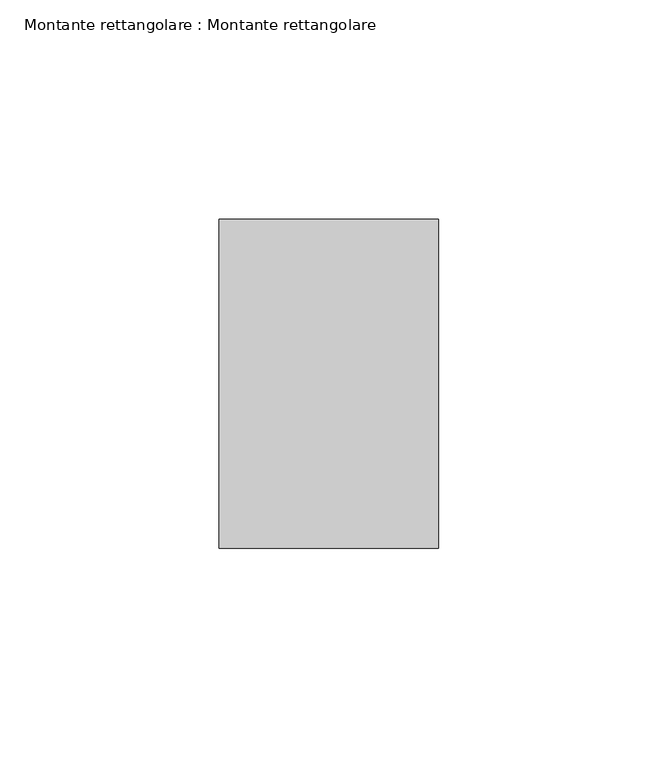
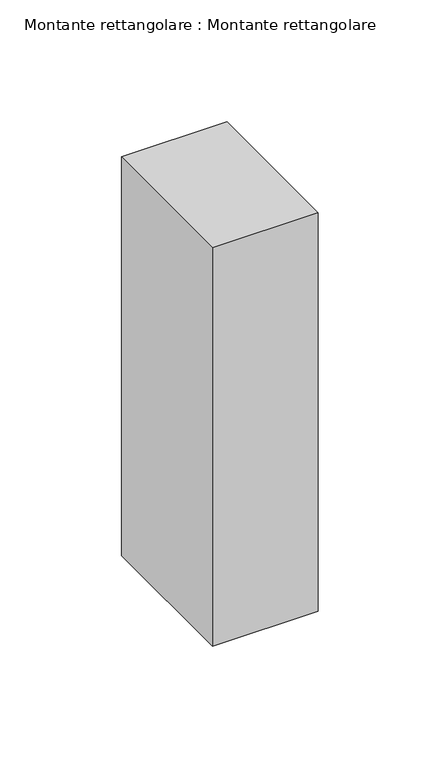
"""IFC4 building model written with IfcOpenShell, lengths in millimetres: member geometry, Montante rettangolare : Montante rettangolare."""

from ifc_helpers import new_model, si_unit, frame, origin, place, context, project, spatial, polyline, outline, extrude, source, transform, mapped, element, save


def montante_rettangolare_montante_rettangolare_a70e8cf2(model_context):
    return source(origin(), model_context, "Body", "SweptSolid", [
        extrude(outline(polyline([(-37.5, -0.1164835), (37.5, 0.1164835), (37.5, -200.0152232), (-37.5, -200.0152232), (-37.5, -0.1164835)])), frame((-50.0, 0.0, 0.0), z_axis=(1.0, 0.0, 0.0), x_axis=(0.0, 1.0, 0.0)), (0.0, 0.0, 1.0), 50.0),
    ])


if __name__ == "__main__":
    model = new_model("IFC4")
    model_context = context("Model", 3, world=origin())
    ifc_project = project(units=[si_unit("LENGTHUNIT", "METRE", prefix="MILLI")], contexts=[model_context])
    site = spatial("IfcSite", under=ifc_project)
    building = spatial("IfcBuilding", under=site)
    placement = place(None, origin())
    montante_rettangolare_montante_rettangolare_shape = montante_rettangolare_montante_rettangolare_a70e8cf2(model_context)
    element("IfcMember", 1, ObjectType="Montante rettangolare : Montante rettangolare", at=placement, inside=building, context=model_context, shape_type="MappedRepresentation", body=[
        mapped(montante_rettangolare_montante_rettangolare_shape, transform((0.0, 0.0, 0.0), x_axis=(1.0, 0.0, 0.0), y_axis=(0.0, 1.0, 0.0), z_axis=(0.0, 0.0, 1.0))),
    ])
    save(model, "model.ifc")
